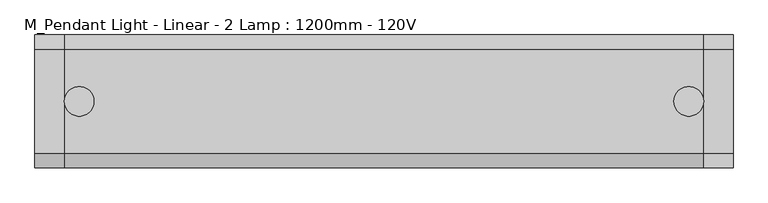
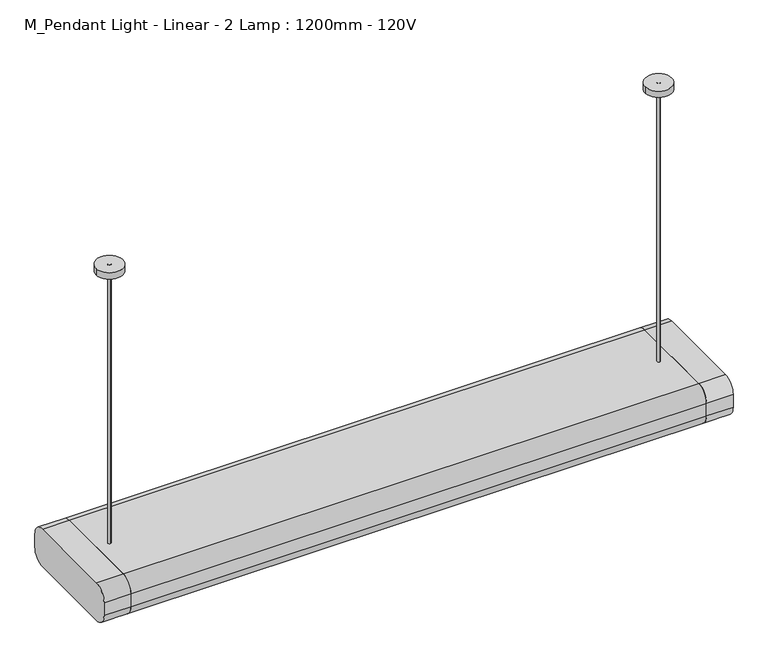
"""IFC4 building model written with IfcOpenShell, lengths in millimetres: light fixture geometry, M_Pendant Light - Linear - 2 Lamp : 1200mm - 120V."""

import ifcopenshell
import ifcopenshell.guid

model = None  # the IFC model being written
_history = None  # IfcOwnerHistory: only IFC2X3 demands one
_inside = {}  # id of a spatial element -> (the spatial element, [elements in it])
_under = {}  # id of a project, library or spatial element -> (it, [spatial elements below it])
_declared = {}  # id of a project -> (the project, [libraries it declares])
_typed = {}  # id of a type object -> (the type object, [elements of that type])
_made_of = {}  # id of a material, layer set ... -> (it, [elements and type objects made of it])


def new_model(schema):
    """Start an empty IFC model of exactly this schema.

    Asked for "IFC4X3", IfcOpenShell would pick the latest addendum, in which some entities
    have other attributes; the version numbers below select the first issue.
    IFC2X3 requires an IfcOwnerHistory on every rooted entity: one is made here for all.
    """
    global model, _history
    if schema == "IFC4X3":
        model = ifcopenshell.file(schema_version=(4, 3, 0, 0))
    else:
        model = ifcopenshell.file(schema=schema)
    _inside.clear()
    _under.clear()
    _declared.clear()
    _typed.clear()
    _made_of.clear()
    _history = None
    if model.schema == "IFC2X3":
        org = make("IfcOrganization", Name="unknown")
        user = make(
            "IfcPersonAndOrganization",
            ThePerson=make("IfcPerson", FamilyName="unknown"),
            TheOrganization=org,
        )
        app = make(
            "IfcApplication",
            ApplicationDeveloper=org,
            Version="unknown",
            ApplicationFullName="unknown",
            ApplicationIdentifier="unknown",
        )
        _history = make(
            "IfcOwnerHistory",
            OwningUser=user,
            OwningApplication=app,
            ChangeAction="ADDED",
            CreationDate=0,
        )
    return model


def make(cls, **values):
    """One entity of the class cls with the attributes given. An attribute that is None is left unset."""
    return model.create_entity(
        cls, **{name: value for name, value in values.items() if value is not None}
    )


def rooted(cls, **values):
    """An entity with a GlobalId (a new one), such as an element, a storey or a relation."""
    return make(cls, GlobalId=ifcopenshell.guid.new(), OwnerHistory=_history, **values)


def si_unit(unit_type, name, prefix=None):
    """IfcSIUnit, for example si_unit("LENGTHUNIT", "METRE", prefix="MILLI")."""
    return make("IfcSIUnit", UnitType=unit_type, Prefix=prefix, Name=name)


def assignment(units):
    """IfcUnitAssignment: the units of a project."""
    return None if units is None else make("IfcUnitAssignment", Units=units)


def point(xyz):
    """IfcCartesianPoint."""
    return None if xyz is None else make("IfcCartesianPoint", Coordinates=xyz)


def direction(xyz):
    """IfcDirection."""
    return None if xyz is None else make("IfcDirection", DirectionRatios=xyz)


def frame(location, z_axis=None, x_axis=None):
    """IfcAxis2Placement3D, a coordinate frame: its origin and axes. An axis left out is left unset."""
    return make(
        "IfcAxis2Placement3D",
        Location=point(location),
        Axis=direction(z_axis),
        RefDirection=direction(x_axis),
    )


def frame_2d(location, x_axis=None):
    """IfcAxis2Placement2D, a coordinate frame in the plane: its origin and x axis."""
    return make(
        "IfcAxis2Placement2D", Location=point(location), RefDirection=direction(x_axis)
    )


def origin():
    """The frame at (0, 0, 0) with its axes left unset."""
    return frame((0.0, 0.0, 0.0))


def place(relative_to, where):
    """IfcLocalPlacement: puts the frame where relative to a parent placement (None: the world)."""
    return make(
        "IfcLocalPlacement", PlacementRelTo=relative_to, RelativePlacement=where
    )


def context(
    kind, dimensions, precision=None, world=None, true_north=None, identifier=None
):
    """IfcGeometricRepresentationContext, for example the 3D "Model" context."""
    return make(
        "IfcGeometricRepresentationContext",
        ContextIdentifier=identifier,
        ContextType=kind,
        CoordinateSpaceDimension=dimensions,
        Precision=precision,
        WorldCoordinateSystem=world,
        TrueNorth=true_north,
    )


def project(units=None, contexts=None):
    """IfcProject with its units and contexts."""
    return rooted(
        "IfcProject",
        Name="project",
        RepresentationContexts=contexts,
        UnitsInContext=assignment(units),
    )


def spatial(cls, under=None, at=None, **own):
    """A site, building, storey or space (cls), placed at a placement, below another one or the project."""
    s = rooted(cls, ObjectPlacement=at, **own)
    if under is not None:
        _under.setdefault(under.id(), (under, []))[1].append(s)
    return s


def polyline(points):
    """IfcPolyline through the points."""
    return make("IfcPolyline", Points=[point(p) for p in points])


def circle_curve(where, radius):
    """IfcCircle in the frame where."""
    return make("IfcCircle", Position=where, Radius=radius)


def trimmed(basis, trim1, trim2, sense, master):
    """IfcTrimmedCurve: the piece of a basis curve between two trims."""
    return make(
        "IfcTrimmedCurve",
        BasisCurve=basis,
        Trim1=trim1,
        Trim2=trim2,
        SenseAgreement=sense,
        MasterRepresentation=master,
    )


def segment(curve, same_sense, transition):
    """IfcCompositeCurveSegment."""
    return make(
        "IfcCompositeCurveSegment",
        Transition=transition,
        SameSense=same_sense,
        ParentCurve=curve,
    )


def composite_curve(segments, self_intersect=None):
    """IfcCompositeCurve: segments joined end to end."""
    return make("IfcCompositeCurve", Segments=segments, SelfIntersect=self_intersect)


def outline(outer, holes=None, kind="AREA"):
    """IfcArbitraryClosedProfileDef: a profile drawn as a closed curve; with holes, ...WithVoids."""
    if holes is None:
        return make("IfcArbitraryClosedProfileDef", ProfileType=kind, OuterCurve=outer)
    return make(
        "IfcArbitraryProfileDefWithVoids",
        ProfileType=kind,
        OuterCurve=outer,
        InnerCurves=holes,
    )


def extrude(swept, where, along, depth):
    """IfcExtrudedAreaSolid: the profile swept, set in the frame where, extruded along a direction by depth."""
    return make(
        "IfcExtrudedAreaSolid",
        SweptArea=swept,
        Position=where,
        ExtrudedDirection=direction(along),
        Depth=depth,
    )


def shape(context_of_items, identifier, shape_type, items):
    """IfcShapeRepresentation: the items that make up one representation, for example the "Body"."""
    return make(
        "IfcShapeRepresentation",
        ContextOfItems=context_of_items,
        RepresentationIdentifier=identifier,
        RepresentationType=shape_type,
        Items=items,
    )


def source(mapping_origin, context_of_items, identifier, shape_type, items):
    """IfcRepresentationMap: a shape defined once, which mapped items show again and again."""
    return make(
        "IfcRepresentationMap",
        MappingOrigin=mapping_origin,
        MappedRepresentation=shape(context_of_items, identifier, shape_type, items),
    )


def transform(
    local_origin,
    x_axis=None,
    y_axis=None,
    z_axis=None,
    scale=None,
    scale2=None,
    scale3=None,
    uniform=True,
):
    """IfcCartesianTransformationOperator3D, or its non-uniform kind. x_axis, y_axis, z_axis: its Axis1, 2, 3."""
    if uniform:
        return make(
            "IfcCartesianTransformationOperator3D",
            Axis1=direction(x_axis),
            Axis2=direction(y_axis),
            LocalOrigin=point(local_origin),
            Scale=scale,
            Axis3=direction(z_axis),
        )
    return make(
        "IfcCartesianTransformationOperator3DnonUniform",
        Axis1=direction(x_axis),
        Axis2=direction(y_axis),
        LocalOrigin=point(local_origin),
        Scale=scale,
        Axis3=direction(z_axis),
        Scale2=scale2,
        Scale3=scale3,
    )


def mapped(mapping_source, mapping_target):
    """IfcMappedItem: shows the shape of a source again, moved by a transform."""
    return make(
        "IfcMappedItem", MappingSource=mapping_source, MappingTarget=mapping_target
    )


def made_of(thing, what):
    """Note that an element or type object is made of a material, layer set ...; save() writes the relation."""
    if what is not None:
        _made_of.setdefault(what.id(), (what, []))[1].append(thing)
    return thing


def element(
    cls,
    number,
    at=None,
    inside=None,
    cuts=None,
    type_object=None,
    material=None,
    context=None,
    identifier="Body",
    shape_type=None,
    held_by="IfcProductDefinitionShape",
    body=None,
    shapes=None,
    **own,
):
    """One element of the class cls, such as IfcWall. Its Tag is "e" and its number.

    at: its placement. inside: the storey or other place that contains it. cuts: it is an
    opening in that element (IfcRelVoidsElement). A single representation is given by context,
    identifier, shape_type and body (its items); several are given by shapes. held_by: the class
    of the entity that holds the representations. save() writes the other relations.
    """
    e = rooted(cls, Tag="e%d" % number, ObjectPlacement=at, **own)
    if body is not None:
        shapes = [shape(context, identifier, shape_type, body)]
    if shapes is not None:
        e.Representation = make(held_by, Representations=shapes)
    if inside is not None:
        _inside.setdefault(inside.id(), (inside, []))[1].append(e)
    if cuts is not None:
        rooted(
            "IfcRelVoidsElement", RelatingBuildingElement=cuts, RelatedOpeningElement=e
        )
    if type_object is not None:
        _typed.setdefault(type_object.id(), (type_object, []))[1].append(e)
    return made_of(e, material)


def aggregate(whole, parts):
    """IfcRelAggregates: a whole, such as a stair, and the parts it consists of."""
    return rooted("IfcRelAggregates", RelatingObject=whole, RelatedObjects=parts)


def save(model, path):
    """Write the relations noted so far, then the file.

    IfcRelAggregates (storeys below a building ...), IfcRelContainedInSpatialStructure (elements
    in a storey), IfcRelDefinesByType, IfcRelAssociatesMaterial and IfcRelDeclares: one each for
    every whole, place, type object, material and project.
    """
    for whole, parts in _under.values():
        aggregate(whole, parts)
    for where, things in _inside.values():
        rooted(
            "IfcRelContainedInSpatialStructure",
            RelatedElements=things,
            RelatingStructure=where,
        )
    for kind, things in _typed.values():
        rooted("IfcRelDefinesByType", RelatedObjects=things, RelatingType=kind)
    for what, things in _made_of.values():
        rooted("IfcRelAssociatesMaterial", RelatedObjects=things, RelatingMaterial=what)
    for by, libraries in _declared.values():
        rooted("IfcRelDeclares", RelatingContext=by, RelatedDefinitions=libraries)
    model.write(path)


def m_pendant_light_linear_2_lamp_1200mm_120v_2af6053c(model_context):
    return source(origin(), model_context, "Body", "SweptSolid", [
        extrude(outline(composite_curve([segment(polyline([(-88.9, 1876.2), (88.9, 1876.2)]), True, "CONTINUOUS"), segment(trimmed(circle_curve(frame_2d((88.9, 1850.8)), 25.4), [point((88.9, 1876.2))], [point((114.3, 1850.8))], False, "CARTESIAN"), True, "CONTINUOUS"), segment(polyline([(114.3, 1850.8), (114.3, 1825.4)]), True, "CONTINUOUS"), segment(trimmed(circle_curve(frame_2d((88.9, 1825.4)), 25.4), [point((114.3, 1825.4))], [point((88.9, 1800.0))], False, "CARTESIAN"), True, "CONTINUOUS"), segment(polyline([(88.9, 1800.0), (-88.9, 1800.0)]), True, "CONTINUOUS"), segment(trimmed(circle_curve(frame_2d((-88.9, 1825.4)), 25.4), [point((-88.9, 1800.0))], [point((-114.3, 1825.4))], False, "CARTESIAN"), True, "CONTINUOUS"), segment(polyline([(-114.3, 1825.4), (-114.3, 1850.8)]), True, "CONTINUOUS"), segment(trimmed(circle_curve(frame_2d((-88.9, 1850.8)), 25.4), [point((-114.3, 1850.8))], [point((-88.9, 1876.2))], False, "CARTESIAN"), True, "CONTINUOUS")], self_intersect=False)), frame((549.2, 0.0, 0.0), z_axis=(1.0, 0.0, 0.0), x_axis=(0.0, 1.0, 0.0)), (0.0, 0.0, 1.0), 50.8),
        extrude(outline(composite_curve([segment(trimmed(circle_curve(frame_2d((88.9, 1850.8)), 25.4), [point((88.9, 1876.2))], [point((114.3, 1850.8))], False, "CARTESIAN"), True, "CONTINUOUS"), segment(polyline([(114.3, 1850.8), (114.3, 1825.4)]), True, "CONTINUOUS"), segment(trimmed(circle_curve(frame_2d((88.9, 1825.4)), 25.4), [point((114.3, 1825.4))], [point((88.9, 1800.0))], False, "CARTESIAN"), True, "CONTINUOUS"), segment(polyline([(88.9, 1800.0), (-88.9, 1800.0)]), True, "CONTINUOUS"), segment(trimmed(circle_curve(frame_2d((-88.9, 1825.4)), 25.4), [point((-88.9, 1800.0))], [point((-114.3, 1825.4))], False, "CARTESIAN"), True, "CONTINUOUS"), segment(polyline([(-114.3, 1825.4), (-114.3, 1850.8)]), True, "CONTINUOUS"), segment(trimmed(circle_curve(frame_2d((-88.9, 1850.8)), 25.4), [point((-114.3, 1850.8))], [point((-88.9, 1876.2))], False, "CARTESIAN"), True, "CONTINUOUS"), segment(polyline([(-88.9, 1876.2), (88.9, 1876.2)]), True, "CONTINUOUS")], self_intersect=False)), frame((-600.0, 0.0, 0.0), z_axis=(1.0, 0.0, 0.0), x_axis=(0.0, 1.0, 0.0)), (0.0, 0.0, 1.0), 50.8),
        extrude(outline(polyline([(549.2, -63.5), (-549.2, -63.5), (-549.2, 63.5), (549.2, 63.5), (549.2, -63.5)])), frame((0.0, 0.0, 1800.0), z_axis=(0.0, 0.0, 1.0), x_axis=(1.0, 0.0, 0.0)), (0.0, 0.0, 1.0), 12.7),
        extrude(outline(composite_curve([segment(trimmed(circle_curve(frame_2d((-523.8883785, 0.0)), 25.4), [point((-549.2883785, 0.0))], [point((-498.4883785, 0.0))], False, "CARTESIAN"), True, "CONTINUOUS"), segment(trimmed(circle_curve(frame_2d((-523.8883785, 0.0)), 25.4), [point((-498.4883785, 0.0))], [point((-549.2883785, 0.0))], False, "CARTESIAN"), True, "CONTINUOUS")], self_intersect=False)), frame((0.0, 0.0, 2425.7), z_axis=(0.0, 0.0, 1.0), x_axis=(1.0, 0.0, 0.0)), (0.0, 0.0, 1.0), 12.7),
        extrude(outline(composite_curve([segment(trimmed(circle_curve(frame_2d((523.8, 0.0)), 25.4), [point((498.4, 0.0))], [point((549.2, 0.0))], False, "CARTESIAN"), True, "CONTINUOUS"), segment(trimmed(circle_curve(frame_2d((523.8, 0.0)), 25.4), [point((549.2, 0.0))], [point((498.4, 0.0))], False, "CARTESIAN"), True, "CONTINUOUS")], self_intersect=False)), frame((0.0, 0.0, 2425.7), z_axis=(0.0, 0.0, 1.0), x_axis=(1.0, 0.0, 0.0)), (0.0, 0.0, 1.0), 12.7),
        extrude(outline(composite_curve([segment(trimmed(circle_curve(frame_2d((-523.8, 0.0)), 3.175), [point((-523.8, -3.175))], [point((-523.8, 3.175))], False, "CARTESIAN"), True, "CONTINUOUS"), segment(trimmed(circle_curve(frame_2d((-523.8, 0.0)), 3.175), [point((-523.8, 3.175))], [point((-523.8, -3.175))], False, "CARTESIAN"), True, "CONTINUOUS")], self_intersect=False)), frame((0.0, 0.0, 1876.2), z_axis=(0.0, 0.0, 1.0), x_axis=(1.0, 0.0, 0.0)), (0.0, 0.0, 1.0), 562.2),
        extrude(outline(composite_curve([segment(trimmed(circle_curve(frame_2d((523.8, 0.0)), 3.175), [point((523.8, -3.175))], [point((523.8, 3.175))], False, "CARTESIAN"), True, "CONTINUOUS"), segment(trimmed(circle_curve(frame_2d((523.8, 0.0)), 3.175), [point((523.8, 3.175))], [point((523.8, -3.175))], False, "CARTESIAN"), True, "CONTINUOUS")], self_intersect=False)), frame((0.0, 0.0, 1876.2), z_axis=(0.0, 0.0, 1.0), x_axis=(1.0, 0.0, 0.0)), (0.0, 0.0, 1.0), 562.2),
        extrude(outline(composite_curve([segment(trimmed(circle_curve(frame_2d((88.9, 1850.8)), 25.4), [point((88.9, 1876.2))], [point((114.3, 1850.8))], False, "CARTESIAN"), True, "CONTINUOUS"), segment(polyline([(114.3, 1850.8), (114.3, 1825.4)]), True, "CONTINUOUS"), segment(trimmed(circle_curve(frame_2d((88.9, 1825.4)), 25.4), [point((114.3, 1825.4))], [point((88.9, 1800.0))], False, "CARTESIAN"), True, "CONTINUOUS"), segment(polyline([(88.9, 1800.0), (63.5, 1800.0), (63.5, 1825.4), (-63.5, 1825.4), (-63.5, 1800.0), (-88.9, 1800.0)]), True, "CONTINUOUS"), segment(trimmed(circle_curve(frame_2d((-88.9, 1825.4)), 25.4), [point((-88.9, 1800.0))], [point((-114.3, 1825.4))], False, "CARTESIAN"), True, "CONTINUOUS"), segment(polyline([(-114.3, 1825.4), (-114.3, 1850.8)]), True, "CONTINUOUS"), segment(trimmed(circle_curve(frame_2d((-88.9, 1850.8)), 25.4), [point((-114.3, 1850.8))], [point((-88.9, 1876.2))], False, "CARTESIAN"), True, "CONTINUOUS"), segment(polyline([(-88.9, 1876.2), (88.9, 1876.2)]), True, "CONTINUOUS")], self_intersect=False)), frame((-549.2, 0.0, 0.0), z_axis=(1.0, 0.0, 0.0), x_axis=(0.0, 1.0, 0.0)), (0.0, 0.0, 1.0), 1098.4),
    ])


if __name__ == "__main__":
    model = new_model("IFC4")
    model_context = context("Model", 3, world=origin())
    ifc_project = project(units=[si_unit("LENGTHUNIT", "METRE", prefix="MILLI")], contexts=[model_context])
    site = spatial("IfcSite", under=ifc_project)
    building = spatial("IfcBuilding", under=site)
    placement = place(None, origin())
    m_pendant_light_linear_2_lamp_1200mm_120v_shape = m_pendant_light_linear_2_lamp_1200mm_120v_2af6053c(model_context)
    element("IfcLightFixture", 1, ObjectType="M_Pendant Light - Linear - 2 Lamp : 1200mm - 120V", at=placement, inside=building, context=model_context, shape_type="MappedRepresentation", body=[
        mapped(m_pendant_light_linear_2_lamp_1200mm_120v_shape, transform((0.0, 0.0, 0.0), x_axis=(1.0, 0.0, 0.0), y_axis=(0.0, 1.0, 0.0), z_axis=(0.0, 0.0, 1.0))),
    ])
    save(model, "model.ifc")
